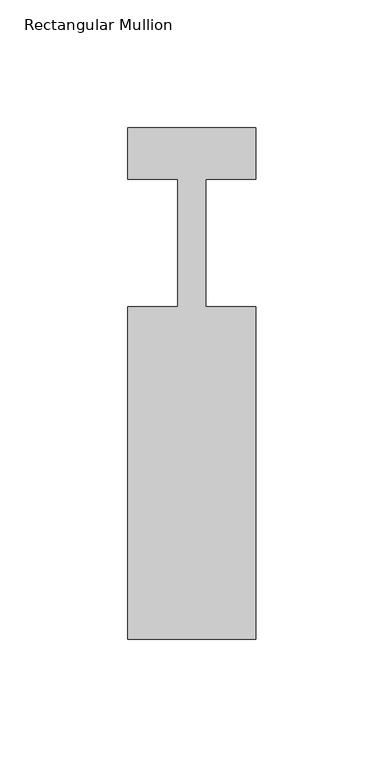
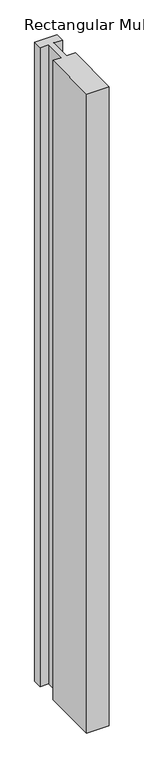
"""IFC4 building model written with IfcOpenShell, lengths in millimetres: member geometry, Rectangular Mullion."""

from ifc_helpers import new_model, si_unit, frame, origin, place, context, project, spatial, polyline, outline, extrude, source, transform, mapped, element, save


def rectangular_mullion_e7eedd3d(model_context):
    return source(origin(), model_context, "Body", "SweptSolid", [
        extrude(outline(polyline([(0.0, -153.0), (-50.0, -153.0), (-50.0, -23.0), (-30.4999999, -23.0), (-30.4999999, 27.0), (-50.0, 27.0), (-50.0, 47.0), (0.0, 47.0), (0.0, 27.0), (-19.5, 27.0), (-19.5, -23.0), (0.0, -23.0), (0.0, -153.0)])), frame((0.0, 0.0, -1500.0), z_axis=(0.0, 0.0, 1.0), x_axis=(1.0, 0.0, 0.0)), (0.0, 0.0, 1.0), 1500.0),
    ])


if __name__ == "__main__":
    model = new_model("IFC4")
    model_context = context("Model", 3, world=origin())
    ifc_project = project(units=[si_unit("LENGTHUNIT", "METRE", prefix="MILLI")], contexts=[model_context])
    site = spatial("IfcSite", under=ifc_project)
    building = spatial("IfcBuilding", under=site)
    placement = place(None, origin())
    rectangular_mullion_shape = rectangular_mullion_e7eedd3d(model_context)
    element("IfcMember", 1, ObjectType="Rectangular Mullion", at=placement, inside=building, context=model_context, shape_type="MappedRepresentation", body=[
        mapped(rectangular_mullion_shape, transform((0.0, 0.0, 0.0), x_axis=(1.0, 0.0, 0.0), y_axis=(0.0, 1.0, 0.0), z_axis=(0.0, 0.0, 1.0))),
    ])
    save(model, "model.ifc")
